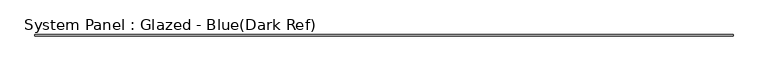
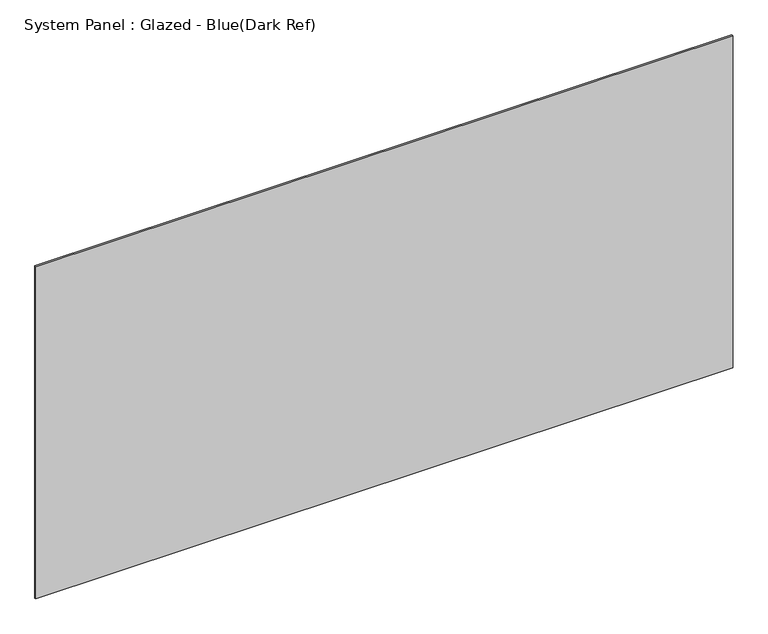
"""IFC4 building model written with IfcOpenShell, lengths in millimetres: plate geometry, System Panel : Glazed - Blue(Dark Ref)."""

from ifc_helpers import new_model, si_unit, origin, origin_with_axes, place, context, project, spatial, polyline, outline, extrude, source, transform, mapped, element, save


def system_panel_glazed_blue_dark_ref_cebd9147(model_context):
    return source(origin(), model_context, "Body", "SweptSolid", [
        extrude(outline(polyline([(6051.9894495, 19.05), (-6051.9894495, 19.05), (-6051.9894495, 44.45), (6051.9894495, 44.45), (6051.9894495, 19.05)])), origin_with_axes(), (0.0, 0.0, 1.0), 6096.0),
    ])


if __name__ == "__main__":
    model = new_model("IFC4")
    model_context = context("Model", 3, world=origin())
    ifc_project = project(units=[si_unit("LENGTHUNIT", "METRE", prefix="MILLI")], contexts=[model_context])
    site = spatial("IfcSite", under=ifc_project)
    building = spatial("IfcBuilding", under=site)
    placement = place(None, origin())
    system_panel_glazed_blue_dark_ref_shape = system_panel_glazed_blue_dark_ref_cebd9147(model_context)
    element("IfcPlate", 1, ObjectType="System Panel : Glazed - Blue(Dark Ref)", at=placement, inside=building, context=model_context, shape_type="MappedRepresentation", body=[
        mapped(system_panel_glazed_blue_dark_ref_shape, transform((0.0, 0.0, 0.0), x_axis=(1.0, 0.0, 0.0), y_axis=(0.0, 1.0, 0.0), z_axis=(0.0, 0.0, 1.0))),
    ])
    save(model, "model.ifc")
